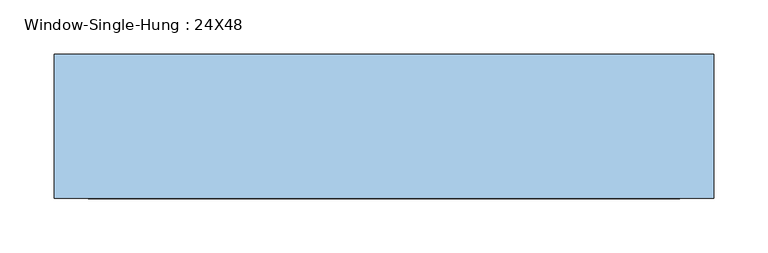
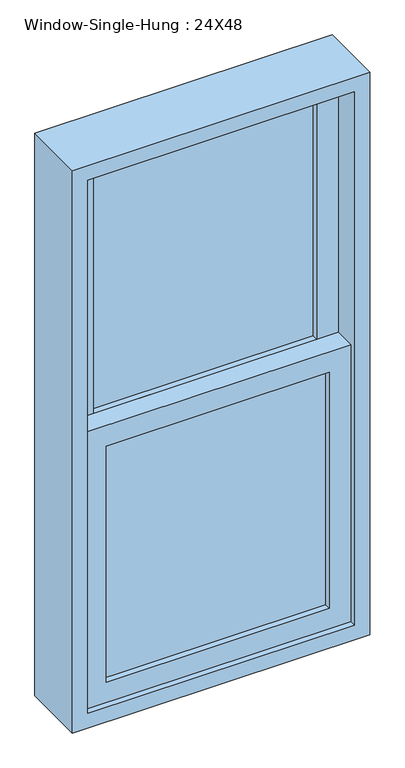
"""IFC4 building model written with IfcOpenShell, lengths in millimetres: window geometry, Window-Single-Hung : 24X48."""

from ifc_helpers import new_model, si_unit, frame, origin, place, context, project, spatial, polyline, outline, extrude, source, transform, mapped, element, save


def window_single_hung_24x48_2c33d598(model_context):
    return source(origin(), model_context, "Body", "SweptSolid", [
        extrude(outline(polyline([(228.6, 4.7625), (228.6, -1.5875), (-228.6, -1.5875), (-228.6, 4.7625), (228.6, 4.7625)])), frame((0.0, 0.0, 990.6), z_axis=(0.0, 0.0, 1.0), x_axis=(1.0, 0.0, 0.0)), (0.0, 0.0, 1.0), 511.175),
        extrude(outline(polyline([(-228.6, -7.9375), (228.6, -7.9375), (228.6, -14.2875), (-228.6, -14.2875), (-228.6, -7.9375)])), frame((0.0, 0.0, 990.6), z_axis=(0.0, 0.0, 1.0), x_axis=(1.0, 0.0, 0.0)), (0.0, 0.0, 1.0), 511.175),
        extrude(outline(polyline([(228.6, 49.2125), (228.6, 42.8625), (-228.6, 42.8625), (-228.6, 49.2125), (228.6, 49.2125)])), frame((0.0, 0.0, 1546.225), z_axis=(0.0, 0.0, 1.0), x_axis=(1.0, 0.0, 0.0)), (0.0, 0.0, 1.0), 511.175),
        extrude(outline(polyline([(-228.6, 36.5125), (228.6, 36.5125), (228.6, 30.1625), (-228.6, 30.1625), (-228.6, 36.5125)])), frame((0.0, 0.0, 1546.225), z_axis=(0.0, 0.0, 1.0), x_axis=(1.0, 0.0, 0.0)), (0.0, 0.0, 1.0), 511.175),
        extrude(outline(polyline([(1546.225, -273.05), (946.15, -273.05), (946.15, 273.05), (1546.225, 273.05), (1546.225, -273.05)]), holes=[polyline([(1501.775, 228.6), (990.6, 228.6), (990.6, -228.6), (1501.775, -228.6), (1501.775, 228.6)])]), frame((0.0, -26.9875, 0.0), z_axis=(0.0, 1.0, 0.0), x_axis=(0.0, 0.0, 1.0)), (0.0, 0.0, 1.0), 44.45),
        extrude(outline(polyline([(2101.85, -273.05), (1501.775, -273.05), (1501.775, 273.05), (2101.85, 273.05), (2101.85, -273.05)]), holes=[polyline([(2057.4, 228.6), (1546.225, 228.6), (1546.225, -228.6), (2057.4, -228.6), (2057.4, 228.6)])]), frame((0.0, 17.4625, 0.0), z_axis=(0.0, 1.0, 0.0), x_axis=(0.0, 0.0, 1.0)), (0.0, 0.0, 1.0), 44.45),
        extrude(outline(polyline([(2133.6, -304.8), (914.4, -304.8), (914.4, 304.8), (2133.6, 304.8), (2133.6, -304.8)]), holes=[polyline([(2101.85, 273.05), (946.15, 273.05), (946.15, -273.05), (2101.85, -273.05), (2101.85, 273.05)])]), frame((0.0, -39.6875, 0.0), z_axis=(0.0, 1.0, 0.0), x_axis=(0.0, 0.0, 1.0)), (0.0, 0.0, 1.0), 133.35),
    ])


if __name__ == "__main__":
    model = new_model("IFC4")
    model_context = context("Model", 3, world=origin())
    ifc_project = project(units=[si_unit("LENGTHUNIT", "METRE", prefix="MILLI")], contexts=[model_context])
    site = spatial("IfcSite", under=ifc_project)
    building = spatial("IfcBuilding", under=site)
    placement = place(None, origin())
    window_single_hung_24x48_shape = window_single_hung_24x48_2c33d598(model_context)
    element("IfcWindow", 1, ObjectType="Window-Single-Hung : 24X48", at=placement, inside=building, context=model_context, shape_type="MappedRepresentation", body=[
        mapped(window_single_hung_24x48_shape, transform((0.0, 0.0, 0.0), x_axis=(1.0, 0.0, 0.0), y_axis=(0.0, 1.0, 0.0), z_axis=(0.0, 0.0, 1.0))),
    ])
    save(model, "model.ifc")
